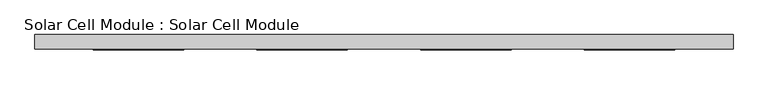
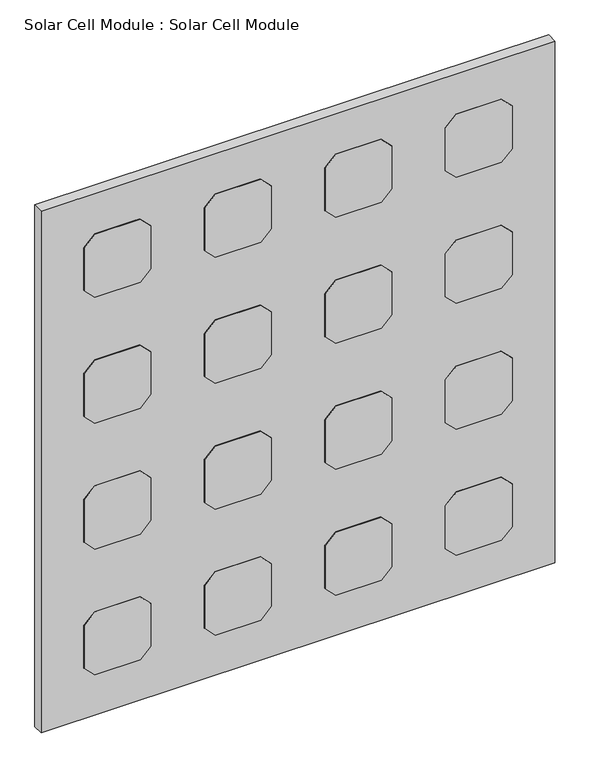
"""IFC4 building model written with IfcOpenShell, lengths in millimetres: plate geometry, Solar Cell Module : Solar Cell Module."""

from ifc_helpers import new_model, si_unit, frame, origin, origin_with_axes, place, context, project, spatial, polyline, outline, extrude, source, transform, mapped, element, save


def solar_cell_module_solar_cell_module_c4876632(model_context):
    return source(origin(), model_context, "Body", "SweptSolid", [
        extrude(outline(polyline([(722.8951457, 193.9126201), (747.8951457, 218.9126201), (853.8951457, 218.9126201), (878.8951457, 193.9126201), (878.8951457, 87.9126201), (853.8951457, 62.9126201), (747.8951457, 62.9126201), (722.8951457, 87.9126201), (722.8951457, 193.9126201)])), frame((0.0, -26.0, 0.0), z_axis=(0.0, 1.0, 0.0), x_axis=(0.0, 0.0, 1.0)), (0.0, 0.0, 1.0), 1.0),
        extrude(outline(polyline([(411.4475728, 193.9126201), (436.4475728, 218.9126201), (542.4475728, 218.9126201), (567.4475728, 193.9126201), (567.4475728, 87.9126201), (542.4475728, 62.9126201), (436.4475728, 62.9126201), (411.4475728, 87.9126201), (411.4475728, 193.9126201)])), frame((0.0, -26.0, 0.0), z_axis=(0.0, 1.0, 0.0), x_axis=(0.0, 0.0, 1.0)), (0.0, 0.0, 1.0), 1.0),
        extrude(outline(polyline([(1034.3427185, 193.9126201), (1059.3427185, 218.9126201), (1165.3427185, 218.9126201), (1190.3427185, 193.9126201), (1190.3427185, 87.9126201), (1165.3427185, 62.9126201), (1059.3427185, 62.9126201), (1034.3427185, 87.9126201), (1034.3427185, 193.9126201)])), frame((0.0, -26.0, 0.0), z_axis=(0.0, 1.0, 0.0), x_axis=(0.0, 0.0, 1.0)), (0.0, 0.0, 1.0), 1.0),
        extrude(outline(polyline([(100.0, 193.9126201), (125.0, 218.9126201), (231.0, 218.9126201), (256.0, 193.9126201), (256.0, 87.9126201), (231.0, 62.9126201), (125.0, 62.9126201), (100.0, 87.9126201), (100.0, 193.9126201)])), frame((0.0, -26.0, 0.0), z_axis=(0.0, 1.0, 0.0), x_axis=(0.0, 0.0, 1.0)), (0.0, 0.0, 1.0), 1.0),
        extrude(outline(polyline([(722.8951457, -87.9126201), (747.8951457, -62.9126201), (853.8951457, -62.9126201), (878.8951457, -87.9126201), (878.8951457, -193.9126201), (853.8951457, -218.9126201), (747.8951457, -218.9126201), (722.8951457, -193.9126201), (722.8951457, -87.9126201)])), frame((0.0, -26.0, 0.0), z_axis=(0.0, 1.0, 0.0), x_axis=(0.0, 0.0, 1.0)), (0.0, 0.0, 1.0), 1.0),
        extrude(outline(polyline([(411.4475728, -87.9126201), (436.4475728, -62.9126201), (542.4475728, -62.9126201), (567.4475728, -87.9126201), (567.4475728, -193.9126201), (542.4475728, -218.9126201), (436.4475728, -218.9126201), (411.4475728, -193.9126201), (411.4475728, -87.9126201)])), frame((0.0, -26.0, 0.0), z_axis=(0.0, 1.0, 0.0), x_axis=(0.0, 0.0, 1.0)), (0.0, 0.0, 1.0), 1.0),
        extrude(outline(polyline([(1034.3427185, -87.9126201), (1059.3427185, -62.9126201), (1165.3427185, -62.9126201), (1190.3427185, -87.9126201), (1190.3427185, -193.9126201), (1165.3427185, -218.9126201), (1059.3427185, -218.9126201), (1034.3427185, -193.9126201), (1034.3427185, -87.9126201)])), frame((0.0, -26.0, 0.0), z_axis=(0.0, 1.0, 0.0), x_axis=(0.0, 0.0, 1.0)), (0.0, 0.0, 1.0), 1.0),
        extrude(outline(polyline([(100.0, -87.9126201), (125.0, -62.9126201), (231.0, -62.9126201), (256.0, -87.9126201), (256.0, -193.9126201), (231.0, -218.9126201), (125.0, -218.9126201), (100.0, -193.9126201), (100.0, -87.9126201)])), frame((0.0, -26.0, 0.0), z_axis=(0.0, 1.0, 0.0), x_axis=(0.0, 0.0, 1.0)), (0.0, 0.0, 1.0), 1.0),
        extrude(outline(polyline([(722.8951457, 475.7378602), (747.8951457, 500.7378602), (853.8951457, 500.7378602), (878.8951457, 475.7378602), (878.8951457, 369.7378602), (853.8951457, 344.7378602), (747.8951457, 344.7378602), (722.8951457, 369.7378602), (722.8951457, 475.7378602)])), frame((0.0, -26.0, 0.0), z_axis=(0.0, 1.0, 0.0), x_axis=(0.0, 0.0, 1.0)), (0.0, 0.0, 1.0), 1.0),
        extrude(outline(polyline([(411.4475728, 475.7378602), (436.4475728, 500.7378602), (542.4475728, 500.7378602), (567.4475728, 475.7378602), (567.4475728, 369.7378602), (542.4475728, 344.7378602), (436.4475728, 344.7378602), (411.4475728, 369.7378602), (411.4475728, 475.7378602)])), frame((0.0, -26.0, 0.0), z_axis=(0.0, 1.0, 0.0), x_axis=(0.0, 0.0, 1.0)), (0.0, 0.0, 1.0), 1.0),
        extrude(outline(polyline([(1034.3427185, 475.7378602), (1059.3427185, 500.7378602), (1165.3427185, 500.7378602), (1190.3427185, 475.7378602), (1190.3427185, 369.7378602), (1165.3427185, 344.7378602), (1059.3427185, 344.7378602), (1034.3427185, 369.7378602), (1034.3427185, 475.7378602)])), frame((0.0, -26.0, 0.0), z_axis=(0.0, 1.0, 0.0), x_axis=(0.0, 0.0, 1.0)), (0.0, 0.0, 1.0), 1.0),
        extrude(outline(polyline([(100.0, 475.7378602), (125.0, 500.7378602), (231.0, 500.7378602), (256.0, 475.7378602), (256.0, 369.7378602), (231.0, 344.7378602), (125.0, 344.7378602), (100.0, 369.7378602), (100.0, 475.7378602)])), frame((0.0, -26.0, 0.0), z_axis=(0.0, 1.0, 0.0), x_axis=(0.0, 0.0, 1.0)), (0.0, 0.0, 1.0), 1.0),
        extrude(outline(polyline([(722.8951457, -369.7378602), (747.8951457, -344.7378602), (853.8951457, -344.7378602), (878.8951457, -369.7378602), (878.8951457, -475.7378602), (853.8951457, -500.7378602), (747.8951457, -500.7378602), (722.8951457, -475.7378602), (722.8951457, -369.7378602)])), frame((0.0, -26.0, 0.0), z_axis=(0.0, 1.0, 0.0), x_axis=(0.0, 0.0, 1.0)), (0.0, 0.0, 1.0), 1.0),
        extrude(outline(polyline([(411.4475728, -369.7378602), (436.4475728, -344.7378602), (542.4475728, -344.7378602), (567.4475728, -369.7378602), (567.4475728, -475.7378602), (542.4475728, -500.7378602), (436.4475728, -500.7378602), (411.4475728, -475.7378602), (411.4475728, -369.7378602)])), frame((0.0, -26.0, 0.0), z_axis=(0.0, 1.0, 0.0), x_axis=(0.0, 0.0, 1.0)), (0.0, 0.0, 1.0), 1.0),
        extrude(outline(polyline([(1034.3427185, -369.7378602), (1059.3427185, -344.7378602), (1165.3427185, -344.7378602), (1190.3427185, -369.7378602), (1190.3427185, -475.7378602), (1165.3427185, -500.7378602), (1059.3427185, -500.7378602), (1034.3427185, -475.7378602), (1034.3427185, -369.7378602)])), frame((0.0, -26.0, 0.0), z_axis=(0.0, 1.0, 0.0), x_axis=(0.0, 0.0, 1.0)), (0.0, 0.0, 1.0), 1.0),
        extrude(outline(polyline([(100.0, -369.7378602), (125.0, -344.7378602), (231.0, -344.7378602), (256.0, -369.7378602), (256.0, -475.7378602), (231.0, -500.7378602), (125.0, -500.7378602), (100.0, -475.7378602), (100.0, -369.7378602)])), frame((0.0, -26.0, 0.0), z_axis=(0.0, 1.0, 0.0), x_axis=(0.0, 0.0, 1.0)), (0.0, 0.0, 1.0), 1.0),
        extrude(outline(polyline([(600.7378602, -25.0), (-600.7378602, -25.0), (-600.7378602, 0.0), (600.7378602, 0.0), (600.7378602, -25.0)])), origin_with_axes(), (0.0, 0.0, 1.0), 1290.3427185),
    ])


if __name__ == "__main__":
    model = new_model("IFC4")
    model_context = context("Model", 3, world=origin())
    ifc_project = project(units=[si_unit("LENGTHUNIT", "METRE", prefix="MILLI")], contexts=[model_context])
    site = spatial("IfcSite", under=ifc_project)
    building = spatial("IfcBuilding", under=site)
    placement = place(None, origin())
    solar_cell_module_solar_cell_module_shape = solar_cell_module_solar_cell_module_c4876632(model_context)
    element("IfcPlate", 1, ObjectType="Solar Cell Module : Solar Cell Module", at=placement, inside=building, context=model_context, shape_type="MappedRepresentation", body=[
        mapped(solar_cell_module_solar_cell_module_shape, transform((0.0, 0.0, 0.0), x_axis=(1.0, 0.0, 0.0), y_axis=(0.0, 1.0, 0.0), z_axis=(0.0, 0.0, 1.0))),
    ])
    save(model, "model.ifc")
